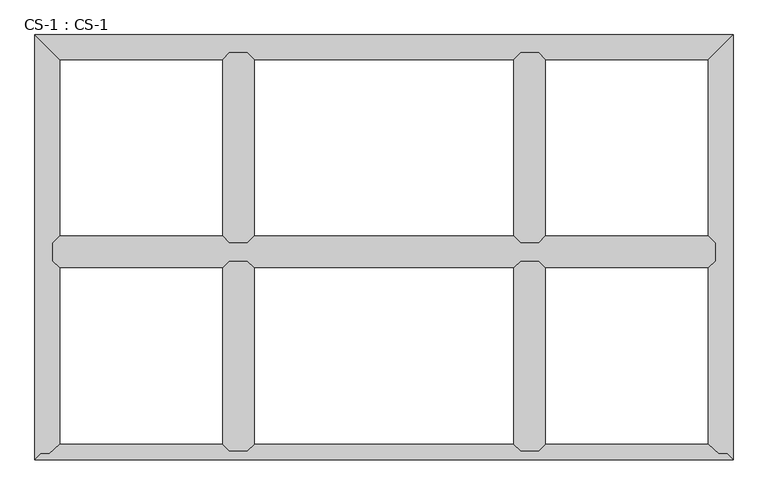
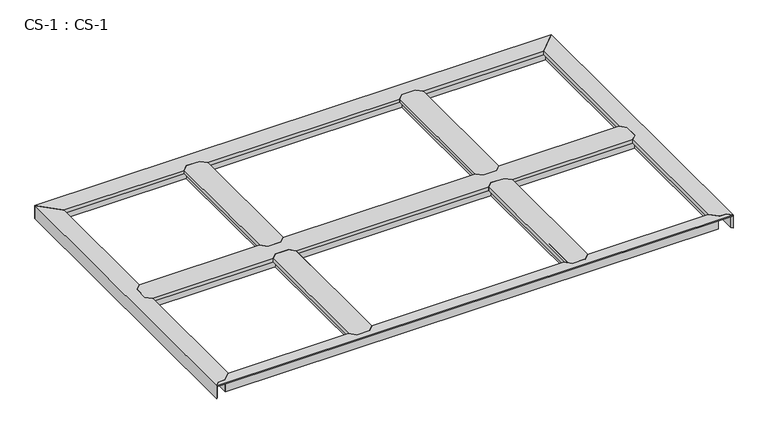
"""IFC4 building model written with IfcOpenShell, lengths in millimetres: proxy geometry, CS-1 : CS-1."""

from ifc_helpers import new_model, si_unit, origin, place, context, project, spatial, faceted_brep, source, transform, mapped, element, save


def cs_1_cs_1_8cf82cd7(model_context):
    return source(origin(), model_context, "Body", "Brep", [
        faceted_brep([(2489.2, 728.98, 46.355), (2489.2, 728.98, 0.0), (2489.2, 735.965, 0.0), (2489.2, 735.965, 63.5), (2489.2, 788.035, 63.5), (2489.2, 788.035, 0.0), (2489.2, 795.02, 0.0), (2489.2, 795.02, 46.355), (2489.2, 795.02, 66.675), (2489.2, 728.98, 66.675), (66.04, 795.02, 46.355), (66.04, 795.02, 0.0), (66.04, 788.035, 0.0), (66.04, 788.035, 63.5), (66.04, 735.965, 63.5), (66.04, 735.965, 0.0), (66.04, 728.98, 0.0), (66.04, 728.98, 46.355), (66.04, 728.98, 66.675), (66.04, 795.02, 66.675), (90.678, 819.658, 49.8094), (90.678, 819.658, 66.675), (686.562, 819.658, 66.675), (686.562, 819.658, 49.8094), (2464.562, 819.658, 66.675), (2464.562, 819.658, 49.8094), (1868.678, 819.658, 49.8094), (1868.678, 819.658, 66.675), (801.878, 819.658, 49.8094), (801.878, 819.658, 66.675), (1753.362, 819.658, 66.675), (1753.362, 819.658, 49.8094), (89.154, 818.134, 49.8094), (688.086, 818.134, 49.8094), (2466.086, 818.134, 49.8094), (1867.154, 818.134, 49.8094), (800.354, 818.134, 49.8094), (1754.886, 818.134, 49.8094), (89.154, 818.134, 64.643), (688.086, 818.134, 64.643), (2466.086, 818.134, 64.643), (1867.154, 818.134, 64.643), (800.354, 818.134, 64.643), (1754.886, 818.134, 64.643), (78.867, 807.847, 64.643), (698.373, 807.847, 64.643), (2476.373, 807.847, 64.643), (1856.867, 807.847, 64.643), (790.067, 807.847, 64.643), (1765.173, 807.847, 64.643), (78.867, 807.847, 46.355), (698.373, 807.847, 46.355), (2476.373, 807.847, 46.355), (1856.867, 807.847, 46.355), (790.067, 807.847, 46.355), (1765.173, 807.847, 46.355), (711.2, 795.02, 46.355), (1844.04, 795.02, 46.355), (777.24, 795.02, 46.355), (1778.0, 795.02, 46.355), (711.2, 795.02, 66.675), (777.24, 795.02, 66.675), (1778.0, 795.02, 66.675), (1844.04, 795.02, 66.675), (1844.04, 728.98, 46.355), (1844.04, 728.98, 66.675), (1778.0, 728.98, 66.675), (1778.0, 728.98, 46.355), (777.24, 728.98, 46.355), (777.24, 728.98, 66.675), (711.2, 728.98, 66.675), (711.2, 728.98, 46.355), (78.867, 716.153, 46.355), (698.373, 716.153, 46.355), (2476.373, 716.153, 46.355), (1856.867, 716.153, 46.355), (790.067, 716.153, 46.355), (1765.173, 716.153, 46.355), (78.867, 716.153, 64.643), (698.373, 716.153, 64.643), (2476.373, 716.153, 64.643), (1856.867, 716.153, 64.643), (790.067, 716.153, 64.643), (1765.173, 716.153, 64.643), (89.154, 705.866, 64.643), (688.086, 705.866, 64.643), (2466.086, 705.866, 64.643), (1867.154, 705.866, 64.643), (800.354, 705.866, 64.643), (1754.886, 705.866, 64.643), (89.154, 705.866, 49.8094), (688.086, 705.866, 49.8094), (2466.086, 705.866, 49.8094), (1867.154, 705.866, 49.8094), (800.354, 705.866, 49.8094), (1754.886, 705.866, 49.8094), (90.678, 704.342, 49.8094), (686.562, 704.342, 49.8094), (2464.562, 704.342, 49.8094), (1868.678, 704.342, 49.8094), (801.878, 704.342, 49.8094), (1753.362, 704.342, 49.8094), (90.678, 704.342, 66.675), (686.562, 704.342, 66.675), (2464.562, 704.342, 66.675), (1868.678, 704.342, 66.675), (801.878, 704.342, 66.675), (1753.362, 704.342, 66.675)], [[[0, 1, 2, 3, 4, 5, 6, 7, 8, 9]], [[10, 11, 12, 13, 14, 15, 16, 17, 18, 19]], [[20, 21, 22, 23]], [[24, 25, 26, 27]], [[28, 29, 30, 31]], [[32, 20, 23, 33]], [[25, 34, 35, 26]], [[36, 28, 31, 37]], [[38, 32, 33, 39]], [[34, 40, 41, 35]], [[42, 36, 37, 43]], [[44, 38, 39, 45]], [[40, 46, 47, 41]], [[48, 42, 43, 49]], [[50, 44, 45, 51]], [[46, 52, 53, 47]], [[54, 48, 49, 55]], [[10, 50, 51, 56]], [[52, 7, 57, 53]], [[58, 54, 55, 59]], [[7, 6, 11, 10, 56, 60, 61, 58, 59, 62, 63, 57]], [[6, 5, 12, 11]], [[5, 4, 13, 12]], [[4, 3, 14, 13]], [[3, 2, 15, 14]], [[2, 1, 16, 15]], [[1, 0, 64, 65, 66, 67, 68, 69, 70, 71, 17, 16]], [[72, 17, 71, 73]], [[0, 74, 75, 64]], [[76, 68, 67, 77]], [[78, 72, 73, 79]], [[74, 80, 81, 75]], [[82, 76, 77, 83]], [[84, 78, 79, 85]], [[80, 86, 87, 81]], [[88, 82, 83, 89]], [[90, 84, 85, 91]], [[86, 92, 93, 87]], [[94, 88, 89, 95]], [[96, 90, 91, 97]], [[92, 98, 99, 93]], [[100, 94, 95, 101]], [[102, 96, 97, 103]], [[98, 104, 105, 99]], [[106, 100, 101, 107]], [[9, 8, 24, 27, 63, 62, 30, 29, 61, 60, 22, 21, 19, 18, 102, 103, 70, 69, 106, 107, 66, 65, 105, 104]], [[10, 19, 21, 20, 32, 38, 44, 50]], [[18, 17, 72, 78, 84, 90, 96, 102]], [[0, 9, 104, 98, 92, 86, 80, 74]], [[8, 7, 52, 46, 40, 34, 25, 24]], [[60, 56, 51, 45, 39, 33, 23, 22]], [[58, 61, 29, 28, 36, 42, 48, 54]], [[62, 59, 55, 49, 43, 37, 31, 30]], [[57, 63, 27, 26, 35, 41, 47, 53]], [[69, 68, 76, 82, 88, 94, 100, 106]], [[71, 70, 103, 97, 91, 85, 79, 73]], [[65, 64, 75, 81, 87, 93, 99, 105]], [[67, 66, 107, 101, 95, 89, 83, 77]]]),
        faceted_brep([(1844.04, 1490.98, 46.355), (1844.04, 1490.98, 0.0), (1837.055, 1490.98, 0.0), (1837.055, 1490.98, 63.5), (1784.985, 1490.98, 63.5), (1784.985, 1490.98, 0.0), (1778.0, 1490.98, 0.0), (1778.0, 1490.98, 46.355), (1778.0, 1490.98, 66.675), (1844.04, 1490.98, 66.675), (1778.0, 795.02, 46.355), (1778.0, 795.02, 0.0), (1784.985, 795.02, 0.0), (1784.985, 795.02, 63.5), (1837.055, 795.02, 63.5), (1837.055, 795.02, 0.0), (1844.04, 795.02, 0.0), (1844.04, 795.02, 46.355), (1844.04, 795.02, 66.675), (1778.0, 795.02, 66.675), (1753.362, 819.658, 66.675), (1753.362, 1466.342, 66.675), (1753.362, 1466.342, 49.8094), (1753.362, 819.658, 49.8094), (1754.886, 1467.866, 49.8094), (1754.886, 818.134, 49.8094), (1754.886, 1467.866, 64.643), (1754.886, 818.134, 64.643), (1765.173, 1478.153, 64.643), (1765.173, 807.847, 64.643), (1765.173, 1478.153, 46.355), (1765.173, 807.847, 46.355), (1856.867, 1478.153, 46.355), (1856.867, 807.847, 46.355), (1856.867, 1478.153, 64.643), (1856.867, 807.847, 64.643), (1867.154, 1467.866, 64.643), (1867.154, 818.134, 64.643), (1867.154, 1467.866, 49.8094), (1867.154, 818.134, 49.8094), (1868.678, 1466.342, 49.8094), (1868.678, 819.658, 49.8094), (1868.678, 1466.342, 66.675), (1868.678, 819.658, 66.675)], [[[0, 1, 2, 3, 4, 5, 6, 7, 8, 9]], [[10, 11, 12, 13, 14, 15, 16, 17, 18, 19]], [[20, 21, 22, 23]], [[23, 22, 24, 25]], [[25, 24, 26, 27]], [[27, 26, 28, 29]], [[29, 28, 30, 31]], [[7, 10, 31, 30]], [[7, 6, 11, 10]], [[6, 5, 12, 11]], [[5, 4, 13, 12]], [[4, 3, 14, 13]], [[3, 2, 15, 14]], [[2, 1, 16, 15]], [[1, 0, 17, 16]], [[17, 0, 32, 33]], [[33, 32, 34, 35]], [[35, 34, 36, 37]], [[37, 36, 38, 39]], [[39, 38, 40, 41]], [[41, 40, 42, 43]], [[9, 8, 21, 20, 19, 18, 43, 42]], [[10, 19, 20, 23, 25, 27, 29, 31]], [[18, 17, 33, 35, 37, 39, 41, 43]], [[0, 9, 42, 40, 38, 36, 34, 32]], [[8, 7, 30, 28, 26, 24, 22, 21]]]),
        faceted_brep([(1844.04, 728.98, 46.355), (1844.04, 728.98, 0.0), (1837.055, 728.98, 0.0), (1837.055, 728.98, 63.5), (1784.985, 728.98, 63.5), (1784.985, 728.98, 0.0), (1778.0, 728.98, 0.0), (1778.0, 728.98, 46.355), (1778.0, 728.98, 66.675), (1844.04, 728.98, 66.675), (1778.0, 33.02, 46.355), (1778.0, 33.02, 0.0), (1784.985, 33.02, 0.0), (1784.985, 33.02, 63.5), (1837.055, 33.02, 63.5), (1837.055, 33.02, 0.0), (1844.04, 33.02, 0.0), (1844.04, 33.02, 46.355), (1844.04, 33.02, 66.675), (1778.0, 33.02, 66.675), (1753.362, 57.658, 66.675), (1753.362, 704.342, 66.675), (1753.362, 704.342, 49.8094), (1753.362, 57.658, 49.8094), (1754.886, 705.866, 49.8094), (1754.886, 56.134, 49.8094), (1754.886, 705.866, 64.643), (1754.886, 56.134, 64.643), (1765.173, 716.153, 64.643), (1765.173, 45.847, 64.643), (1765.173, 716.153, 46.355), (1765.173, 45.847, 46.355), (1856.867, 716.153, 46.355), (1856.867, 45.847, 46.355), (1856.867, 716.153, 64.643), (1856.867, 45.847, 64.643), (1867.154, 705.866, 64.643), (1867.154, 56.134, 64.643), (1867.154, 705.866, 49.8094), (1867.154, 56.134, 49.8094), (1868.678, 704.342, 49.8094), (1868.678, 57.658, 49.8094), (1868.678, 704.342, 66.675), (1868.678, 57.658, 66.675)], [[[0, 1, 2, 3, 4, 5, 6, 7, 8, 9]], [[10, 11, 12, 13, 14, 15, 16, 17, 18, 19]], [[20, 21, 22, 23]], [[23, 22, 24, 25]], [[25, 24, 26, 27]], [[27, 26, 28, 29]], [[29, 28, 30, 31]], [[7, 10, 31, 30]], [[7, 6, 11, 10]], [[6, 5, 12, 11]], [[5, 4, 13, 12]], [[4, 3, 14, 13]], [[3, 2, 15, 14]], [[2, 1, 16, 15]], [[1, 0, 17, 16]], [[17, 0, 32, 33]], [[33, 32, 34, 35]], [[35, 34, 36, 37]], [[37, 36, 38, 39]], [[39, 38, 40, 41]], [[41, 40, 42, 43]], [[9, 8, 21, 20, 19, 18, 43, 42]], [[10, 19, 20, 23, 25, 27, 29, 31]], [[18, 17, 33, 35, 37, 39, 41, 43]], [[0, 9, 42, 40, 38, 36, 34, 32]], [[8, 7, 30, 28, 26, 24, 22, 21]]]),
        faceted_brep([(777.24, 728.98, 46.355), (777.24, 728.98, 0.0), (770.255, 728.98, 0.0), (770.255, 728.98, 63.5), (718.185, 728.98, 63.5), (718.185, 728.98, 0.0), (711.2, 728.98, 0.0), (711.2, 728.98, 46.355), (711.2, 728.98, 66.675), (777.24, 728.98, 66.675), (711.2, 33.02, 46.355), (711.2, 33.02, 0.0), (718.185, 33.02, 0.0), (718.185, 33.02, 63.5), (770.255, 33.02, 63.5), (770.255, 33.02, 0.0), (777.24, 33.02, 0.0), (777.24, 33.02, 46.355), (777.24, 33.02, 66.675), (711.2, 33.02, 66.675), (686.562, 57.658, 66.675), (686.562, 704.342, 66.675), (686.562, 704.342, 49.8094), (686.562, 57.658, 49.8094), (688.086, 705.866, 49.8094), (688.086, 56.134, 49.8094), (688.086, 705.866, 64.643), (688.086, 56.134, 64.643), (698.373, 716.153, 64.643), (698.373, 45.847, 64.643), (698.373, 716.153, 46.355), (698.373, 45.847, 46.355), (790.067, 716.153, 46.355), (790.067, 45.847, 46.355), (790.067, 716.153, 64.643), (790.067, 45.847, 64.643), (800.354, 705.866, 64.643), (800.354, 56.134, 64.643), (800.354, 705.866, 49.8094), (800.354, 56.134, 49.8094), (801.878, 704.342, 49.8094), (801.878, 57.658, 49.8094), (801.878, 704.342, 66.675), (801.878, 57.658, 66.675)], [[[0, 1, 2, 3, 4, 5, 6, 7, 8, 9]], [[10, 11, 12, 13, 14, 15, 16, 17, 18, 19]], [[20, 21, 22, 23]], [[23, 22, 24, 25]], [[25, 24, 26, 27]], [[27, 26, 28, 29]], [[29, 28, 30, 31]], [[7, 10, 31, 30]], [[7, 6, 11, 10]], [[6, 5, 12, 11]], [[5, 4, 13, 12]], [[4, 3, 14, 13]], [[3, 2, 15, 14]], [[2, 1, 16, 15]], [[1, 0, 17, 16]], [[17, 0, 32, 33]], [[33, 32, 34, 35]], [[35, 34, 36, 37]], [[37, 36, 38, 39]], [[39, 38, 40, 41]], [[41, 40, 42, 43]], [[9, 8, 21, 20, 19, 18, 43, 42]], [[10, 19, 20, 23, 25, 27, 29, 31]], [[18, 17, 33, 35, 37, 39, 41, 43]], [[0, 9, 42, 40, 38, 36, 34, 32]], [[8, 7, 30, 28, 26, 24, 22, 21]]]),
        faceted_brep([(777.24, 1490.98, 46.355), (777.24, 1490.98, 0.0), (770.255, 1490.98, 0.0), (770.255, 1490.98, 63.5), (718.185, 1490.98, 63.5), (718.185, 1490.98, 0.0), (711.2, 1490.98, 0.0), (711.2, 1490.98, 46.355), (711.2, 1490.98, 66.675), (777.24, 1490.98, 66.675), (711.2, 795.02, 46.355), (711.2, 795.02, 0.0), (718.185, 795.02, 0.0), (718.185, 795.02, 63.5), (770.255, 795.02, 63.5), (770.255, 795.02, 0.0), (777.24, 795.02, 0.0), (777.24, 795.02, 46.355), (777.24, 795.02, 66.675), (711.2, 795.02, 66.675), (686.562, 819.658, 66.675), (686.562, 1466.342, 66.675), (686.562, 1466.342, 49.8094), (686.562, 819.658, 49.8094), (688.086, 1467.866, 49.8094), (688.086, 818.134, 49.8094), (688.086, 1467.866, 64.643), (688.086, 818.134, 64.643), (698.373, 1478.153, 64.643), (698.373, 807.847, 64.643), (698.373, 1478.153, 46.355), (698.373, 807.847, 46.355), (790.067, 1478.153, 46.355), (790.067, 807.847, 46.355), (790.067, 1478.153, 64.643), (790.067, 807.847, 64.643), (800.354, 1467.866, 64.643), (800.354, 818.134, 64.643), (800.354, 1467.866, 49.8094), (800.354, 818.134, 49.8094), (801.878, 1466.342, 49.8094), (801.878, 819.658, 49.8094), (801.878, 1466.342, 66.675), (801.878, 819.658, 66.675)], [[[0, 1, 2, 3, 4, 5, 6, 7, 8, 9]], [[10, 11, 12, 13, 14, 15, 16, 17, 18, 19]], [[20, 21, 22, 23]], [[23, 22, 24, 25]], [[25, 24, 26, 27]], [[27, 26, 28, 29]], [[29, 28, 30, 31]], [[7, 10, 31, 30]], [[7, 6, 11, 10]], [[6, 5, 12, 11]], [[5, 4, 13, 12]], [[4, 3, 14, 13]], [[3, 2, 15, 14]], [[2, 1, 16, 15]], [[1, 0, 17, 16]], [[17, 0, 32, 33]], [[33, 32, 34, 35]], [[35, 34, 36, 37]], [[37, 36, 38, 39]], [[39, 38, 40, 41]], [[41, 40, 42, 43]], [[9, 8, 21, 20, 19, 18, 43, 42]], [[10, 19, 20, 23, 25, 27, 29, 31]], [[18, 17, 33, 35, 37, 39, 41, 43]], [[0, 9, 42, 40, 38, 36, 34, 32]], [[8, 7, 30, 28, 26, 24, 22, 21]]]),
        faceted_brep([(0.0, 0.0, 66.675), (2555.24, 0.0, 66.675), (2533.65, 21.59, 66.675), (2501.9, 21.59, 66.675), (2464.562, 57.658, 66.675), (1868.678, 57.658, 66.675), (1844.04, 33.02, 66.675), (1778.0, 33.02, 66.675), (1753.362, 57.658, 66.675), (801.878, 57.658, 66.675), (777.24, 33.02, 66.675), (711.2, 33.02, 66.675), (686.562, 57.658, 66.675), (90.678, 57.658, 66.675), (53.34, 21.59, 66.675), (21.59, 21.59, 66.675), (0.0, 0.0, 63.5), (2555.24, 0.0, 63.5), (21.59, 21.59, 63.5), (53.34, 21.59, 63.5), (57.9415141, 26.035, 63.5), (2497.2984859, 26.035, 63.5), (2501.9, 21.59, 63.5), (2533.65, 21.59, 63.5), (2497.2984859, 26.035, 0.0), (57.9415141, 26.035, 0.0), (65.1724648, 33.02, 0.0), (2490.0675352, 33.02, 0.0), (2490.0675352, 33.02, 46.355), (65.1724648, 33.02, 46.355), (711.2, 33.02, 46.355), (777.24, 33.02, 46.355), (1778.0, 33.02, 46.355), (1844.04, 33.02, 46.355), (2476.7888803, 45.847, 46.355), (1856.867, 45.847, 46.355), (78.4511197, 45.847, 46.355), (698.373, 45.847, 46.355), (1765.173, 45.847, 46.355), (790.067, 45.847, 46.355), (2476.7888803, 45.847, 64.643), (1856.867, 45.847, 64.643), (78.4511197, 45.847, 64.643), (698.373, 45.847, 64.643), (1765.173, 45.847, 64.643), (790.067, 45.847, 64.643), (2466.139662, 56.134, 64.643), (1867.154, 56.134, 64.643), (89.100338, 56.134, 64.643), (688.086, 56.134, 64.643), (1754.886, 56.134, 64.643), (800.354, 56.134, 64.643), (2466.139662, 56.134, 49.8094), (1867.154, 56.134, 49.8094), (89.100338, 56.134, 49.8094), (688.086, 56.134, 49.8094), (1754.886, 56.134, 49.8094), (800.354, 56.134, 49.8094), (2464.562, 57.658, 49.8094), (1868.678, 57.658, 49.8094), (90.678, 57.658, 49.8094), (686.562, 57.658, 49.8094), (1753.362, 57.658, 49.8094), (801.878, 57.658, 49.8094)], [[[0, 1, 2, 3, 4, 5, 6, 7, 8, 9, 10, 11, 12, 13, 14, 15]], [[1, 0, 16, 17]], [[17, 16, 18, 19, 20, 21, 22, 23]], [[24, 21, 20, 25]], [[26, 27, 24, 25]], [[28, 27, 26, 29, 30, 11, 10, 31, 32, 7, 6, 33]], [[34, 28, 33, 35]], [[29, 36, 37, 30]], [[38, 32, 31, 39]], [[40, 34, 35, 41]], [[36, 42, 43, 37]], [[44, 38, 39, 45]], [[46, 40, 41, 47]], [[42, 48, 49, 43]], [[50, 44, 45, 51]], [[52, 46, 47, 53]], [[48, 54, 55, 49]], [[56, 50, 51, 57]], [[58, 52, 53, 59]], [[54, 60, 61, 55]], [[62, 56, 57, 63]], [[4, 58, 59, 5]], [[60, 13, 12, 61]], [[8, 62, 63, 9]], [[23, 2, 1, 17]], [[3, 22, 21, 24, 27, 28, 34, 40, 46, 52, 58, 4]], [[2, 23, 22, 3]], [[18, 15, 14, 19]], [[19, 14, 13, 60, 54, 48, 42, 36, 29, 26, 25, 20]], [[15, 18, 16, 0]], [[7, 32, 38, 44, 50, 56, 62, 8]], [[33, 6, 5, 59, 53, 47, 41, 35]], [[11, 30, 37, 43, 49, 55, 61, 12]], [[31, 10, 9, 63, 57, 51, 45, 39]]]),
        faceted_brep([(2555.24, 1557.02, 0.0), (2555.24, 0.0, 0.0), (2548.255, 6.985, 0.0), (2548.255, 1550.035, 0.0), (2548.255, 1550.035, 63.5), (2548.255, 6.985, 63.5), (2496.185, 1497.965, 63.5), (2533.65, 21.59, 63.5), (2501.9, 21.59, 63.5), (2496.185, 27.1106122, 63.5), (2496.185, 1497.965, 0.0), (2496.185, 27.1106122, 0.0), (2489.2, 33.8580272, 0.0), (2489.2, 1490.98, 0.0), (2489.2, 1490.98, 46.355), (2489.2, 33.8580272, 46.355), (2489.2, 728.98, 46.355), (2489.2, 728.98, 66.675), (2489.2, 795.02, 66.675), (2489.2, 795.02, 46.355), (2476.373, 1478.153, 46.355), (2476.373, 807.847, 46.355), (2476.373, 46.2487347, 46.355), (2476.373, 716.153, 46.355), (2476.373, 1478.153, 63.5), (2476.373, 807.847, 63.5), (2476.373, 46.2487347, 63.5), (2476.373, 716.153, 63.5), (2466.086, 1467.866, 63.5), (2466.086, 818.134, 63.5), (2466.086, 56.1858367, 63.5), (2466.086, 705.866, 63.5), (2466.086, 1467.866, 49.8094), (2466.086, 818.134, 49.8094), (2466.086, 56.1858367, 49.8094), (2466.086, 705.866, 49.8094), (2464.562, 1466.342, 49.8094), (2464.562, 819.658, 49.8094), (2464.562, 57.658, 49.8094), (2464.562, 704.342, 49.8094), (2464.562, 1466.342, 66.675), (2464.562, 819.658, 66.675), (2464.562, 57.658, 66.675), (2464.562, 704.342, 66.675), (2555.24, 0.0, 66.675), (2555.24, 1557.02, 66.675), (2501.9, 21.59, 66.675), (2533.65, 21.59, 66.675)], [[[0, 1, 2, 3]], [[4, 3, 2, 5]], [[6, 4, 5, 7, 8, 9]], [[10, 6, 9, 11]], [[12, 13, 10, 11]], [[14, 13, 12, 15, 16, 17, 18, 19]], [[20, 14, 19, 21]], [[15, 22, 23, 16]], [[24, 20, 21, 25]], [[22, 26, 27, 23]], [[28, 24, 25, 29]], [[26, 30, 31, 27]], [[32, 28, 29, 33]], [[30, 34, 35, 31]], [[36, 32, 33, 37]], [[34, 38, 39, 35]], [[40, 36, 37, 41]], [[38, 42, 43, 39]], [[44, 45, 40, 41, 18, 17, 43, 42, 46, 47]], [[1, 0, 45, 44]], [[0, 3, 4, 6, 10, 13, 14, 20, 24, 28, 32, 36, 40, 45]], [[7, 47, 46, 8]], [[8, 46, 42, 38, 34, 30, 26, 22, 15, 12, 11, 9]], [[47, 7, 5, 2, 1, 44]], [[17, 16, 23, 27, 31, 35, 39, 43]], [[19, 18, 41, 37, 33, 29, 25, 21]]]),
        faceted_brep([(0.0, 1557.02, 0.0), (2555.24, 1557.02, 0.0), (2548.255, 1550.035, 0.0), (6.985, 1550.035, 0.0), (6.985, 1550.035, 63.5), (2548.255, 1550.035, 63.5), (59.055, 1497.965, 63.5), (2496.185, 1497.965, 63.5), (59.055, 1497.965, 0.0), (2496.185, 1497.965, 0.0), (2489.2, 1490.98, 0.0), (66.04, 1490.98, 0.0), (66.04, 1490.98, 46.355), (2489.2, 1490.98, 46.355), (1844.04, 1490.98, 46.355), (1844.04, 1490.98, 66.675), (1778.0, 1490.98, 66.675), (1778.0, 1490.98, 46.355), (777.24, 1490.98, 46.355), (777.24, 1490.98, 66.675), (711.2, 1490.98, 66.675), (711.2, 1490.98, 46.355), (78.867, 1478.153, 46.355), (698.373, 1478.153, 46.355), (2476.373, 1478.153, 46.355), (1856.867, 1478.153, 46.355), (790.067, 1478.153, 46.355), (1765.173, 1478.153, 46.355), (78.867, 1478.153, 63.5), (698.373, 1478.153, 63.5), (2476.373, 1478.153, 63.5), (1856.867, 1478.153, 63.5), (790.067, 1478.153, 63.5), (1765.173, 1478.153, 63.5), (89.154, 1467.866, 63.5), (688.086, 1467.866, 63.5), (2466.086, 1467.866, 63.5), (1867.154, 1467.866, 63.5), (800.354, 1467.866, 63.5), (1754.886, 1467.866, 63.5), (89.154, 1467.866, 49.8094), (688.086, 1467.866, 49.8094), (2466.086, 1467.866, 49.8094), (1867.154, 1467.866, 49.8094), (800.354, 1467.866, 49.8094), (1754.886, 1467.866, 49.8094), (90.678, 1466.342, 49.8094), (686.562, 1466.342, 49.8094), (2464.562, 1466.342, 49.8094), (1868.678, 1466.342, 49.8094), (801.878, 1466.342, 49.8094), (1753.362, 1466.342, 49.8094), (90.678, 1466.342, 66.675), (686.562, 1466.342, 66.675), (2464.562, 1466.342, 66.675), (1868.678, 1466.342, 66.675), (801.878, 1466.342, 66.675), (1753.362, 1466.342, 66.675), (2555.24, 1557.02, 66.675), (0.0, 1557.02, 66.675)], [[[0, 1, 2, 3]], [[4, 3, 2, 5]], [[6, 4, 5, 7]], [[8, 6, 7, 9]], [[10, 11, 8, 9]], [[12, 11, 10, 13, 14, 15, 16, 17, 18, 19, 20, 21]], [[22, 12, 21, 23]], [[13, 24, 25, 14]], [[26, 18, 17, 27]], [[28, 22, 23, 29]], [[24, 30, 31, 25]], [[32, 26, 27, 33]], [[34, 28, 29, 35]], [[30, 36, 37, 31]], [[38, 32, 33, 39]], [[40, 34, 35, 41]], [[36, 42, 43, 37]], [[44, 38, 39, 45]], [[46, 40, 41, 47]], [[42, 48, 49, 43]], [[50, 44, 45, 51]], [[52, 46, 47, 53]], [[48, 54, 55, 49]], [[56, 50, 51, 57]], [[58, 59, 52, 53, 20, 19, 56, 57, 16, 15, 55, 54]], [[1, 0, 59, 58]], [[0, 3, 4, 6, 8, 11, 12, 22, 28, 34, 40, 46, 52, 59]], [[2, 1, 58, 54, 48, 42, 36, 30, 24, 13, 10, 9, 7, 5]], [[19, 18, 26, 32, 38, 44, 50, 56]], [[21, 20, 53, 47, 41, 35, 29, 23]], [[15, 14, 25, 31, 37, 43, 49, 55]], [[17, 16, 57, 51, 45, 39, 33, 27]]]),
        faceted_brep([(0.0, 0.0, 0.0), (0.0, 1557.02, 0.0), (6.985, 1550.035, 0.0), (6.985, 6.985, 0.0), (6.985, 6.985, 63.5), (6.985, 1550.035, 63.5), (21.59, 21.59, 63.5), (59.055, 1497.965, 63.5), (59.055, 27.1106122, 63.5), (53.34, 21.59, 63.5), (59.055, 27.1106122, 0.0), (59.055, 1497.965, 0.0), (66.04, 1490.98, 0.0), (66.04, 33.8580272, 0.0), (66.04, 33.8580272, 46.355), (66.04, 1490.98, 46.355), (66.04, 795.02, 46.355), (66.04, 795.02, 66.675), (66.04, 728.98, 66.675), (66.04, 728.98, 46.355), (78.867, 46.2487347, 46.355), (78.867, 716.153, 46.355), (78.867, 1478.153, 46.355), (78.867, 807.847, 46.355), (78.867, 46.2487347, 63.5), (78.867, 716.153, 63.5), (78.867, 1478.153, 63.5), (78.867, 807.847, 63.5), (89.154, 56.1858367, 63.5), (89.154, 705.866, 63.5), (89.154, 1467.866, 63.5), (89.154, 818.134, 63.5), (89.154, 56.1858367, 49.8094), (89.154, 705.866, 49.8094), (89.154, 1467.866, 49.8094), (89.154, 818.134, 49.8094), (90.678, 57.658, 49.8094), (90.678, 704.342, 49.8094), (90.678, 1466.342, 49.8094), (90.678, 819.658, 49.8094), (90.678, 57.658, 66.675), (90.678, 704.342, 66.675), (90.678, 1466.342, 66.675), (90.678, 819.658, 66.675), (0.0, 1557.02, 66.675), (0.0, 0.0, 66.675), (21.59, 21.59, 66.675), (53.34, 21.59, 66.675)], [[[0, 1, 2, 3]], [[4, 3, 2, 5]], [[6, 4, 5, 7, 8, 9]], [[10, 8, 7, 11]], [[12, 13, 10, 11]], [[14, 13, 12, 15, 16, 17, 18, 19]], [[20, 14, 19, 21]], [[15, 22, 23, 16]], [[24, 20, 21, 25]], [[22, 26, 27, 23]], [[28, 24, 25, 29]], [[26, 30, 31, 27]], [[32, 28, 29, 33]], [[30, 34, 35, 31]], [[36, 32, 33, 37]], [[34, 38, 39, 35]], [[40, 36, 37, 41]], [[38, 42, 43, 39]], [[44, 45, 46, 47, 40, 41, 18, 17, 43, 42]], [[1, 0, 45, 44]], [[6, 46, 45, 0, 3, 4]], [[47, 9, 8, 10, 13, 14, 20, 24, 28, 32, 36, 40]], [[46, 6, 9, 47]], [[2, 1, 44, 42, 38, 34, 30, 26, 22, 15, 12, 11, 7, 5]], [[17, 16, 23, 27, 31, 35, 39, 43]], [[19, 18, 41, 37, 33, 29, 25, 21]]]),
    ])


if __name__ == "__main__":
    model = new_model("IFC4")
    model_context = context("Model", 3, world=origin())
    ifc_project = project(units=[si_unit("LENGTHUNIT", "METRE", prefix="MILLI")], contexts=[model_context])
    site = spatial("IfcSite", under=ifc_project)
    building = spatial("IfcBuilding", under=site)
    placement = place(None, origin())
    cs_1_cs_1_shape = cs_1_cs_1_8cf82cd7(model_context)
    element("IfcBuildingElementProxy", 1, Name="CS-1 : CS-1", ObjectType="CS-1 : CS-1", at=placement, inside=building, context=model_context, shape_type="MappedRepresentation", body=[
        mapped(cs_1_cs_1_shape, transform((0.0, 0.0, 0.0), x_axis=(1.0, 0.0, 0.0), y_axis=(0.0, 1.0, 0.0), z_axis=(0.0, 0.0, 1.0))),
    ])
    save(model, "model.ifc")
